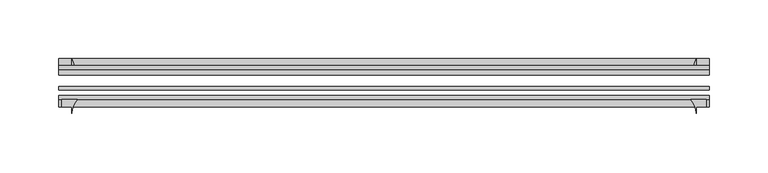
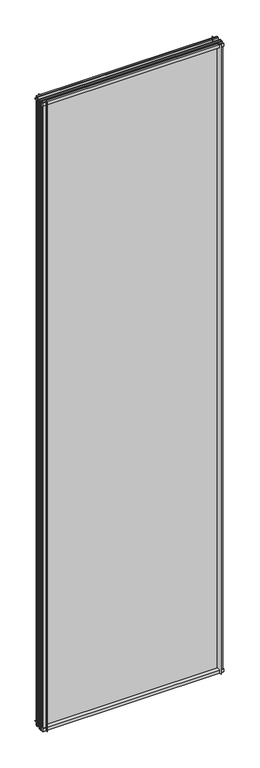
"""IFC4 building model written with IfcOpenShell, lengths in millimetres: plate geometry."""

from ifc_helpers import new_model, si_unit, point, frame, frame_2d, origin, place, context, project, spatial, polyline, circle_curve, trimmed, segment, composite_curve, outline, extrude, source, transform, mapped, element, save


def plate_badc1e87(model_context):
    return source(origin(), model_context, "Body", "SweptSolid", [
        extrude(outline(composite_curve([segment(polyline([(-42.891075, -11.1125), (-42.891075, 3.8539528)]), True, "CONTINUOUS"), segment(trimmed(circle_curve(frame_2d((-26.637892, 29.5913262)), 30.4397495), [point((-42.891075, 3.8539528))], [point((-33.7745413, 0.0))], True, "CARTESIAN"), True, "CONTINUOUS"), segment(polyline([(-33.7745413, 0.0), (-39.690675, 0.0), (-39.690675, -11.1125), (-42.891075, -11.1125)]), True, "CONTINUOUS")], self_intersect=False)), frame((-303.165813, 0.0, 0.0), z_axis=(1.0, 0.0, 0.0), x_axis=(0.0, 1.0, 0.0)), (0.0, 0.0, 1.0), 552.3566259),
        extrude(outline(composite_curve([segment(trimmed(circle_curve(frame_2d((-80.4922797, 17.8701603)), 18.6769817), [point((-74.641075, 0.1333891))], [point((-68.291075, 3.72943))], True, "CARTESIAN"), True, "CONTINUOUS"), segment(polyline([(-68.291075, 3.72943), (-68.291075, -10.3251), (-74.641075, -10.3251), (-74.641075, 0.1333891)]), True, "CONTINUOUS")], self_intersect=False)), frame((-303.165813, 0.0, 0.0), z_axis=(1.0, 0.0, 0.0), x_axis=(0.0, 1.0, 0.0)), (0.0, 0.0, 1.0), 552.3566259),
        extrude(outline(composite_curve([segment(polyline([(-42.891075, 2005.9083472), (-42.891075, 2020.8875), (-39.690675, 2020.8875), (-39.690675, 2009.775), (-33.721675, 2009.775)]), True, "CONTINUOUS"), segment(trimmed(circle_curve(frame_2d((-26.637892, 1980.1709738)), 30.4397495), [point((-33.721675, 2009.775))], [point((-42.891075, 2005.9083472))], True, "CARTESIAN"), True, "CONTINUOUS")], self_intersect=False)), frame((-303.165813, 0.0, 0.0), z_axis=(1.0, 0.0, 0.0), x_axis=(0.0, 1.0, 0.0)), (0.0, 0.0, 1.0), 552.3566259),
        extrude(outline(composite_curve([segment(polyline([(-68.291075, 2018.5126), (-68.291075, 2005.23912)]), True, "CONTINUOUS"), segment(trimmed(circle_curve(frame_2d((-80.4922797, 1991.0983897)), 18.6769817), [point((-68.291075, 2005.23912))], [point((-74.641075, 2008.8351609))], True, "CARTESIAN"), True, "CONTINUOUS"), segment(polyline([(-74.641075, 2008.8351609), (-74.641075, 2018.5126), (-68.291075, 2018.5126)]), True, "CONTINUOUS")], self_intersect=False)), frame((-303.165813, 0.0, 0.0), z_axis=(1.0, 0.0, 0.0), x_axis=(0.0, 1.0, 0.0)), (0.0, 0.0, 1.0), 552.3566259),
        extrude(outline(composite_curve([segment(polyline([(233.5424329, -68.291075), (246.815913, -68.291075), (246.815913, -74.641075), (238.078313, -74.641075), (238.078313, -80.3744844)]), True, "CONTINUOUS"), segment(trimmed(circle_curve(frame_2d((219.4017027, -80.4922797)), 18.6769817), [point((238.078313, -80.3744844))], [point((233.5424329, -68.291075))], True, "CARTESIAN"), True, "CONTINUOUS")], self_intersect=False)), frame((0.0, 0.0, -11.1125), z_axis=(0.0, 0.0, 1.0), x_axis=(1.0, 0.0, 0.0)), (0.0, 0.0, 1.0), 2032.0),
        extrude(outline(composite_curve([segment(trimmed(circle_curve(frame_2d((208.4742867, -26.637892)), 30.4397495), [point((234.2116602, -42.891075))], [point((238.078313, -33.721675))], True, "CARTESIAN"), True, "CONTINUOUS"), segment(polyline([(238.078313, -33.721675), (238.078313, -39.690675), (249.190813, -39.690675), (249.190813, -42.891075), (234.2116602, -42.891075)]), True, "CONTINUOUS")], self_intersect=False)), frame((0.0, 0.0, -11.1125), z_axis=(0.0, 0.0, 1.0), x_axis=(1.0, 0.0, 0.0)), (0.0, 0.0, 1.0), 2032.0),
        extrude(outline(composite_curve([segment(trimmed(circle_curve(frame_2d((-273.3767027, -80.4922797)), 18.6769817), [point((-287.5174329, -68.291075))], [point((-292.053313, -80.3744844))], True, "CARTESIAN"), True, "CONTINUOUS"), segment(polyline([(-292.053313, -80.3744844), (-292.053313, -74.641075), (-300.790913, -74.641075), (-300.790913, -68.291075), (-287.5174329, -68.291075)]), True, "CONTINUOUS")], self_intersect=False)), frame((0.0, 0.0, -11.1125), z_axis=(0.0, 0.0, 1.0), x_axis=(1.0, 0.0, 0.0)), (0.0, 0.0, 1.0), 2032.0),
        extrude(outline(composite_curve([segment(polyline([(-288.1866602, -42.891075), (-303.165813, -42.891075), (-303.165813, -39.690675), (-292.053313, -39.690675), (-292.053313, -33.721675)]), True, "CONTINUOUS"), segment(trimmed(circle_curve(frame_2d((-262.4492867, -26.637892)), 30.4397495), [point((-292.053313, -33.721675))], [point((-288.1866602, -42.891075))], True, "CARTESIAN"), True, "CONTINUOUS")], self_intersect=False)), frame((0.0, 0.0, -11.1125), z_axis=(0.0, 0.0, 1.0), x_axis=(1.0, 0.0, 0.0)), (0.0, 0.0, 1.0), 2032.0),
        extrude(outline(polyline([(-303.165813, -42.891075), (249.190813, -42.891075), (249.190813, -47.653575), (-303.165813, -47.653575), (-303.165813, -42.891075)])), frame((0.0, 0.0, -11.1125), z_axis=(0.0, 0.0, 1.0), x_axis=(1.0, 0.0, 0.0)), (0.0, 0.0, 1.0), 2032.0),
        extrude(outline(polyline([(249.190813, -57.369075), (249.190813, -60.544075), (-303.165813, -60.544075), (-303.165813, -57.369075), (249.190813, -57.369075)])), frame((0.0, 0.0, -11.1125), z_axis=(0.0, 0.0, 1.0), x_axis=(1.0, 0.0, 0.0)), (0.0, 0.0, 1.0), 2032.0),
        extrude(outline(polyline([(-303.165813, -65.116075), (249.190813, -65.116075), (249.190813, -68.291075), (-303.165813, -68.291075), (-303.165813, -65.116075)])), frame((0.0, 0.0, -11.1125), z_axis=(0.0, 0.0, 1.0), x_axis=(1.0, 0.0, 0.0)), (0.0, 0.0, 1.0), 2032.0),
    ])


if __name__ == "__main__":
    model = new_model("IFC4")
    model_context = context("Model", 3, world=origin())
    ifc_project = project(units=[si_unit("LENGTHUNIT", "METRE", prefix="MILLI")], contexts=[model_context])
    site = spatial("IfcSite", under=ifc_project)
    building = spatial("IfcBuilding", under=site)
    placement = place(None, origin())
    plate_shape = plate_badc1e87(model_context)
    element("IfcPlate", 1, at=placement, inside=building, context=model_context, shape_type="MappedRepresentation", body=[
        mapped(plate_shape, transform((0.0, 0.0, 0.0), x_axis=(1.0, 0.0, 0.0), y_axis=(0.0, 1.0, 0.0), z_axis=(0.0, 0.0, 1.0))),
    ])
    save(model, "model.ifc")
